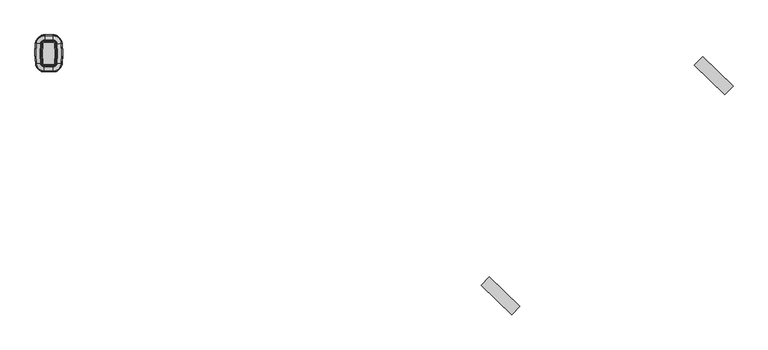
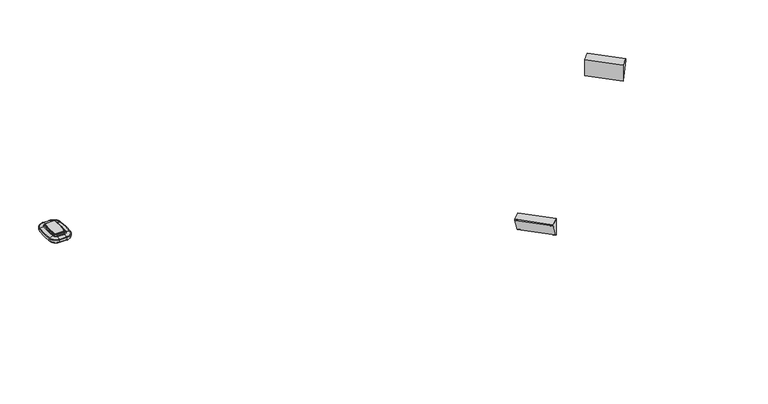
"""IFC4 building model written with IfcOpenShell, lengths in millimetres: furniture geometry."""

from ifc_helpers import new_model, si_unit, point, frame, frame_2d, origin, place, context, project, spatial, polyline, circle_curve, ellipse_curve, trimmed, segment, composite_curve, outline, extrude, source, transform, mapped, element, save
from ifc_brep_helpers import plane_surface, cylinder_surface, revolved_surface, advanced_brep


def furniture_ffb70c54(model_context):
    return source(origin(), model_context, "Body", "SolidModel", [
        extrude(outline(composite_curve([segment(trimmed(circle_curve(frame_2d((205.9302061, -44.7356705)), 2.54), [point((208.4535218, -45.0263214))], [point((205.9302061, -47.2756705))], False, "CARTESIAN"), True, "CONTINUOUS"), segment(polyline([(205.9302061, -47.2756705), (185.3092852, -47.2756705)]), True, "CONTINUOUS"), segment(trimmed(circle_curve(frame_2d((185.3092852, -44.7356705)), 2.54), [point((185.3092852, -47.2756705))], [point((182.7859695, -45.0263214))], False, "CARTESIAN"), True, "CONTINUOUS"), segment(trimmed(circle_curve(frame_2d((381.3735299, -22.1517971)), 199.9006328), [point((182.7859695, -45.0263214))], [point((182.5741347, -1.1979559))], False, "CARTESIAN"), True, "CONTINUOUS"), segment(trimmed(circle_curve(frame_2d((186.3631457, -1.597325)), 3.81), [point((182.5741347, -1.1979559))], [point((186.3631457, 2.212675))], False, "CARTESIAN"), True, "CONTINUOUS"), segment(polyline([(186.3631457, 2.212675), (204.8763456, 2.212675)]), True, "CONTINUOUS"), segment(trimmed(circle_curve(frame_2d((204.8763456, -1.597325)), 3.81), [point((204.8763456, 2.212675))], [point((208.6653566, -1.1979559))], False, "CARTESIAN"), True, "CONTINUOUS"), segment(trimmed(circle_curve(frame_2d((9.8659614, -22.1517971)), 199.9006328), [point((208.6653566, -1.1979559))], [point((208.4535218, -45.0263214))], False, "CARTESIAN"), True, "CONTINUOUS")], self_intersect=False)), frame((0.0, 0.0, 545.8119265), z_axis=(0.0, 0.0, 1.0), x_axis=(1.0, 0.0, 0.0)), (0.0, 0.0, 1.0), 2.9994778),
        advanced_brep(
        [(205.9302061, -47.2756705, 529.31195), (205.9302061, -47.2756705, 545.8119265), (208.4535218, -45.0263214, 545.8119265), (208.4535218, -45.0263214, 529.31195), (205.9302061, -61.6387682, 531.0812486), (205.9302061, -50.4678562, 529.31195), (211.6247391, -45.3916015, 529.31195), (222.7222736, -46.6698831, 531.0812486), (205.9302061, -63.9666749, 532.6109063), (225.0348892, -46.9362643, 532.6109063), (205.9302061, -64.8299386, 539.6416248), (225.8924824, -47.0350471, 539.6416248), (205.9302061, -63.4036717, 540.9423206), (224.4755841, -46.8718401, 540.9423206), (205.9302061, -54.0448489, 543.0447158), (215.1782359, -45.8009149, 543.0447158), (205.9302061, -52.2008481, 543.9842812), (213.3463476, -45.5899069, 543.9842812), (205.9302061, -50.4678562, 545.8119265), (211.6247391, -45.3916015, 545.8119265), (185.3092852, -47.2756705, 529.31195), (185.3092852, -47.2756705, 545.8119265), (185.3092852, -61.6387682, 531.0812486), (185.3092852, -50.4678562, 529.31195), (185.3092852, -63.9666749, 532.6109063), (185.3092852, -64.8299386, 539.6416248), (185.3092852, -63.4036717, 540.9423206), (185.3092852, -54.0448489, 543.0447158), (185.3092852, -52.2008481, 543.9842812), (185.3092852, -50.4678562, 545.8119265), (182.7859695, -45.0263214, 529.31195), (182.7859695, -45.0263214, 545.8119265), (168.5172177, -46.6698831, 531.0812486), (179.6147521, -45.3916015, 529.31195), (166.2046021, -46.9362643, 532.6109063), (165.3470089, -47.0350471, 539.6416248), (166.7639072, -46.8718401, 540.9423206), (176.0612553, -45.8009149, 543.0447158), (177.8931436, -45.5899069, 543.9842812), (179.6147521, -45.3916015, 545.8119265), (182.5741347, -1.1979559, 529.31195), (182.5741347, -1.1979559, 545.8119265), (168.2901622, 0.3076025, 531.0812486), (179.3995346, -0.8633469, 529.31195), (165.9750798, 0.5516166, 532.6109063), (165.1165718, 0.6421051, 539.6416248), (166.5349815, 0.4926019, 540.9423206), (175.8422472, -0.4884019, 543.0447158), (177.6760896, -0.6816924, 543.9842812), (179.3995346, -0.8633469, 545.8119265), (186.3631457, 2.212675, 529.31195), (186.3631457, 2.212675, 545.8119265), (186.3631457, 16.5757727, 531.0812486), (186.3631457, 5.4048607, 529.31195), (186.3631457, 18.9036794, 532.6109063), (186.3631457, 19.7669431, 539.6416248), (186.3631457, 18.3406761, 540.9423206), (186.3631457, 8.9818534, 543.0447158), (186.3631457, 7.1378525, 543.9842812), (186.3631457, 5.4048607, 545.8119265), (204.8763456, 2.212675, 529.31195), (204.8763456, 2.212675, 545.8119265), (204.8763456, 16.5757727, 531.0812486), (204.8763456, 5.4048607, 529.31195), (204.8763456, 18.9036794, 532.6109063), (204.8763456, 19.7669431, 539.6416248), (204.8763456, 18.3406761, 540.9423206), (204.8763456, 8.9818534, 543.0447158), (204.8763456, 7.1378525, 543.9842812), (204.8763456, 5.4048607, 545.8119265), (208.6653566, -1.1979559, 529.31195), (208.6653566, -1.1979559, 545.8119265), (222.949329, 0.3076025, 531.0812486), (211.8399567, -0.8633469, 529.31195), (225.2644115, 0.5516166, 532.6109063), (226.1229195, 0.6421051, 539.6416248), (224.7045098, 0.4926019, 540.9423206), (215.3972441, -0.4884019, 543.0447158), (213.5634017, -0.6816924, 543.9842812), (211.8399567, -0.8633469, 545.8119265)],
        [
            (0, 1),
            (1, 2, circle_curve(frame((205.9302061, -44.7356705, 545.8119265), z_axis=(0.0, 0.0, 1.0), x_axis=(0.9934313742949109, -0.11442947420365396, 0.0)), 2.54)),
            (2, 3),
            (3, 0, circle_curve(frame((205.9302061, -44.7356705, 529.31195), z_axis=(0.0, 0.0, -1.0), x_axis=(0.9934313742949109, -0.11442947420365396, 0.0)), 2.54)),
            (4, 5, circle_curve(frame((205.9302061, -50.4678562, 565.4617807), z_axis=(1.0, 0.0, 0.0), x_axis=(0.0, 1.0, 0.0)), 36.1498307)),
            (5, 6, circle_curve(frame((205.9302061, -44.7356705, 529.31195), z_axis=(0.0, 0.0, 1.0), x_axis=(0.9934313742949109, -0.11442947420365396, 0.0)), 5.7321856)),
            (6, 7, circle_curve(frame((211.6247391, -45.3916015, 565.4617807), z_axis=(-0.11442947420363782, -0.9934313742949128, 0.0), x_axis=(-0.9934313742949128, 0.11442947420363782, 0.0)), 36.1498307)),
            (7, 4, circle_curve(frame((205.9302061, -44.7356705, 531.0812486), z_axis=(0.0, 0.0, -1.0), x_axis=(0.9934313742949109, -0.11442947420365396, 0.0)), 16.9030977)),
            (8, 4, circle_curve(frame((205.9302061, -60.0086542, 536.0982238), z_axis=(1.0, 0.0, 0.0), x_axis=(0.0, 1.0, 0.0)), 5.2751599)),
            (7, 9, circle_curve(frame((221.1028672, -46.48335, 536.0982238), z_axis=(-0.11442947420363782, -0.9934313742949128, 0.0), x_axis=(-0.9934313742949128, 0.11442947420363782, 0.0)), 5.2751599)),
            (9, 8, circle_curve(frame((205.9302061, -44.7356705, 532.6109063), z_axis=(0.0, 0.0, -1.0), x_axis=(0.9934313742949109, -0.11442947420365396, 0.0)), 19.2310044)),
            (10, 8, circle_curve(frame((205.9302061, -51.7576644, 537.6783413), z_axis=(1.0, 0.0, 0.0), x_axis=(0.0, 1.0, 0.0)), 13.2188817)),
            (9, 11, circle_curve(frame((212.9060751, -45.5391936, 537.6783413), z_axis=(-0.11442947420363782, -0.9934313742949128, 0.0), x_axis=(-0.9934313742949128, 0.11442947420363782, 0.0)), 13.2188817)),
            (11, 10, circle_curve(frame((205.9302061, -44.7356705, 539.6416248), z_axis=(0.0, 0.0, -1.0), x_axis=(0.9934313742949109, -0.11442947420365396, 0.0)), 20.0942681)),
            (12, 10, circle_curve(frame((205.9302061, -62.1218465, 538.1044178), z_axis=(1.0, 0.0, 0.0), x_axis=(0.0, 1.0, 0.0)), 3.1139634)),
            (11, 13, circle_curve(frame((223.2021788, -46.7251615, 538.1044178), z_axis=(-0.11442947420363782, -0.9934313742949128, 0.0), x_axis=(-0.9934313742949128, 0.11442947420363782, 0.0)), 3.1139634)),
            (13, 12, circle_curve(frame((205.9302061, -44.7356705, 540.9423206), z_axis=(0.0, 0.0, -1.0), x_axis=(0.9934313742949109, -0.11442947420365396, 0.0)), 18.6680011)),
            (14, 12, circle_curve(frame((205.9302061, -53.624396, 519.2914467), z_axis=(1.0, 0.0, 0.0), x_axis=(0.0, 1.0, 0.0)), 23.7569901)),
            (13, 15, circle_curve(frame((214.7605448, -45.7528027, 519.2914467), z_axis=(-0.11442947420363782, -0.9934313742949128, 0.0), x_axis=(-0.9934313742949128, 0.11442947420363782, 0.0)), 23.7569901)),
            (15, 14, circle_curve(frame((205.9302061, -44.7356705, 543.0447158), z_axis=(0.0, 0.0, -1.0), x_axis=(0.9934313742949109, -0.11442947420365396, 0.0)), 9.3091784)),
            (16, 14),
            (15, 17),
            (17, 16, circle_curve(frame((205.9302061, -44.7356705, 543.9842812), z_axis=(0.0, 0.0, -1.0), x_axis=(0.9934313742949109, -0.11442947420365396, 0.0)), 7.4651775)),
            (18, 16),
            (17, 19),
            (19, 18, circle_curve(frame((205.9302061, -44.7356705, 545.8119265), z_axis=(0.0, 0.0, -1.0), x_axis=(0.9934313742949109, -0.11442947420365396, 0.0)), 5.7321856)),
            (0, 20),
            (20, 21),
            (21, 1),
            (4, 22),
            (22, 23, circle_curve(frame((185.3092852, -50.4678562, 565.4617807), z_axis=(1.0, 0.0, 0.0), x_axis=(0.0, 1.0, 0.0)), 36.1498307)),
            (23, 5),
            (8, 24),
            (24, 22, circle_curve(frame((185.3092852, -60.0086542, 536.0982238), z_axis=(1.0, 0.0, 0.0), x_axis=(0.0, 1.0, 0.0)), 5.2751599)),
            (10, 25),
            (25, 24, circle_curve(frame((185.3092852, -51.7576644, 537.6783413), z_axis=(1.0, 0.0, 0.0), x_axis=(0.0, 1.0, 0.0)), 13.2188817)),
            (12, 26),
            (26, 25, circle_curve(frame((185.3092852, -62.1218465, 538.1044178), z_axis=(1.0, 0.0, 0.0), x_axis=(0.0, 1.0, 0.0)), 3.1139634)),
            (14, 27),
            (27, 26, circle_curve(frame((185.3092852, -53.624396, 519.2914467), z_axis=(1.0, 0.0, 0.0), x_axis=(0.0, 1.0, 0.0)), 23.7569901)),
            (16, 28),
            (28, 27),
            (18, 29),
            (29, 28),
            (30, 31),
            (31, 21, circle_curve(frame((185.3092852, -44.7356705, 545.8119265), z_axis=(0.0, 0.0, 1.0), x_axis=(0.0, -1.0, 0.0)), 2.54)),
            (20, 30, circle_curve(frame((185.3092852, -44.7356705, 529.31195), z_axis=(0.0, 0.0, -1.0), x_axis=(0.0, -1.0, 0.0)), 2.54)),
            (32, 33, circle_curve(frame((179.6147521, -45.3916015, 565.4617807), z_axis=(0.11442947420366893, -0.9934313742949091, 0.0), x_axis=(0.9934313742949091, 0.11442947420366893, 0.0)), 36.1498307)),
            (33, 23, circle_curve(frame((185.3092852, -44.7356705, 529.31195), z_axis=(0.0, 0.0, 1.0), x_axis=(0.0, -1.0, 0.0)), 5.7321856)),
            (22, 32, circle_curve(frame((185.3092852, -44.7356705, 531.0812486), z_axis=(0.0, 0.0, -1.0), x_axis=(0.0, -1.0, 0.0)), 16.9030977)),
            (34, 32, circle_curve(frame((170.1366241, -46.48335, 536.0982238), z_axis=(0.11442947420366871, -0.9934313742949091, 0.0), x_axis=(0.9934313742949091, 0.11442947420366871, 0.0)), 5.2751599)),
            (24, 34, circle_curve(frame((185.3092852, -44.7356705, 532.6109063), z_axis=(0.0, 0.0, -1.0), x_axis=(0.0, -1.0, 0.0)), 19.2310044)),
            (35, 34, circle_curve(frame((178.3334162, -45.5391936, 537.6783413), z_axis=(0.11442947420366871, -0.9934313742949091, 0.0), x_axis=(0.9934313742949091, 0.11442947420366871, 0.0)), 13.2188817)),
            (25, 35, circle_curve(frame((185.3092852, -44.7356705, 539.6416248), z_axis=(0.0, 0.0, -1.0), x_axis=(0.0, -1.0, 0.0)), 20.0942681)),
            (36, 35, circle_curve(frame((168.0373125, -46.7251615, 538.1044178), z_axis=(0.11442947420366893, -0.9934313742949091, 0.0), x_axis=(0.9934313742949091, 0.11442947420366893, 0.0)), 3.1139634)),
            (26, 36, circle_curve(frame((185.3092852, -44.7356705, 540.9423206), z_axis=(0.0, 0.0, -1.0), x_axis=(0.0, -1.0, 0.0)), 18.6680011)),
            (37, 36, circle_curve(frame((176.4789465, -45.7528027, 519.2914467), z_axis=(0.11442947420366915, -0.9934313742949091, 0.0), x_axis=(0.9934313742949091, 0.11442947420366915, 0.0)), 23.7569901)),
            (27, 37, circle_curve(frame((185.3092852, -44.7356705, 543.0447158), z_axis=(0.0, 0.0, -1.0), x_axis=(0.0, -1.0, 0.0)), 9.3091784)),
            (38, 37),
            (28, 38, circle_curve(frame((185.3092852, -44.7356705, 543.9842812), z_axis=(0.0, 0.0, -1.0), x_axis=(0.0, -1.0, 0.0)), 7.4651775)),
            (39, 38),
            (29, 39, circle_curve(frame((185.3092852, -44.7356705, 545.8119265), z_axis=(0.0, 0.0, -1.0), x_axis=(0.0, -1.0, 0.0)), 5.7321856)),
            (40, 41),
            (41, 31, circle_curve(frame((381.3735299, -22.1517971, 545.8119265), z_axis=(0.0, 0.0, 1.0), x_axis=(-0.9934313742949111, -0.11442947420365215, 0.0)), 199.9006328)),
            (30, 40, circle_curve(frame((381.3735299, -22.1517971, 529.31195), z_axis=(0.0, 0.0, -1.0), x_axis=(-0.9934313742949111, -0.11442947420365215, 0.0)), 199.9006328)),
            (42, 43, circle_curve(frame((179.3995346, -0.8633469, 565.4617807), z_axis=(-0.10482128506193344, -0.9944910749714977, 0.0), x_axis=(0.9944910749714977, -0.10482128506193344, 0.0)), 36.1498307)),
            (43, 33, circle_curve(frame((381.3735299, -22.1517971, 529.31195), z_axis=(0.0, 0.0, 1.0), x_axis=(-0.9934313742949111, -0.11442947420365215, 0.0)), 203.0928185)),
            (32, 42, circle_curve(frame((381.3735299, -22.1517971, 531.0812486), z_axis=(0.0, 0.0, -1.0), x_axis=(-0.9934313742949111, -0.11442947420365215, 0.0)), 214.2637305)),
            (44, 42, circle_curve(frame((169.9112961, 0.1367318, 536.0982238), z_axis=(-0.10482128506193016, -0.994491074971498, 0.0), x_axis=(0.994491074971498, -0.10482128506193016, 0.0)), 5.2751599)),
            (34, 44, circle_curve(frame((381.3735299, -22.1517971, 532.6109063), z_axis=(0.0, 0.0, -1.0), x_axis=(-0.9934313742949111, -0.11442947420365215, 0.0)), 216.5916372)),
            (45, 44, circle_curve(frame((178.1168318, -0.7281475, 537.6783413), z_axis=(-0.10482128506192903, -0.9944910749714981, 0.0), x_axis=(0.9944910749714981, -0.10482128506192903, 0.0)), 13.2188817)),
            (35, 45, circle_curve(frame((381.3735299, -22.1517971, 539.6416248), z_axis=(0.0, 0.0, -1.0), x_axis=(-0.9934313742949111, -0.11442947420365215, 0.0)), 217.4549009)),
            (46, 45, circle_curve(frame((167.8097452, 0.3582394, 538.1044178), z_axis=(-0.10482128506193093, -0.994491074971498, 0.0), x_axis=(0.994491074971498, -0.10482128506193093, 0.0)), 3.1139634)),
            (36, 46, circle_curve(frame((381.3735299, -22.1517971, 540.9423206), z_axis=(0.0, 0.0, -1.0), x_axis=(-0.9934313742949111, -0.11442947420365215, 0.0)), 216.0286339)),
            (47, 46, circle_curve(frame((176.2603839, -0.5324743, 519.2914467), z_axis=(-0.10482128506194452, -0.9944910749714965, 0.0), x_axis=(0.9944910749714965, -0.10482128506194452, 0.0)), 23.7569901)),
            (37, 47, circle_curve(frame((381.3735299, -22.1517971, 543.0447158), z_axis=(0.0, 0.0, -1.0), x_axis=(-0.9934313742949111, -0.11442947420365215, 0.0)), 206.6698112)),
            (48, 47),
            (38, 48, circle_curve(frame((381.3735299, -22.1517971, 543.9842812), z_axis=(0.0, 0.0, -1.0), x_axis=(-0.9934313742949111, -0.11442947420365215, 0.0)), 204.8258103)),
            (49, 48),
            (39, 49, circle_curve(frame((381.3735299, -22.1517971, 545.8119265), z_axis=(0.0, 0.0, -1.0), x_axis=(-0.9934313742949111, -0.11442947420365215, 0.0)), 203.0928185)),
            (50, 51),
            (51, 41, circle_curve(frame((186.3631457, -1.597325, 545.8119265), z_axis=(0.0, 0.0, 1.0), x_axis=(-0.9944910749715277, 0.1048212850616482, 0.0)), 3.81)),
            (40, 50, circle_curve(frame((186.3631457, -1.597325, 529.31195), z_axis=(0.0, 0.0, -1.0), x_axis=(-0.9944910749715277, 0.1048212850616482, 0.0)), 3.81)),
            (52, 53, circle_curve(frame((186.3631457, 5.4048607, 565.4617807), z_axis=(-1.0, 0.0, 0.0), x_axis=(0.0, -1.0, 0.0)), 36.1498307)),
            (53, 43, circle_curve(frame((186.3631457, -1.597325, 529.31195), z_axis=(0.0, 0.0, 1.0), x_axis=(-0.9944910749715277, 0.1048212850616482, 0.0)), 7.0021856)),
            (42, 52, circle_curve(frame((186.3631457, -1.597325, 531.0812486), z_axis=(0.0, 0.0, -1.0), x_axis=(-0.9944910749715277, 0.1048212850616482, 0.0)), 18.1730977)),
            (54, 52, circle_curve(frame((186.3631457, 14.9456586, 536.0982238), z_axis=(-1.0, 0.0, 0.0), x_axis=(0.0, -1.0, 0.0)), 5.2751599)),
            (44, 54, circle_curve(frame((186.3631457, -1.597325, 532.6109063), z_axis=(0.0, 0.0, -1.0), x_axis=(-0.9944910749715277, 0.1048212850616482, 0.0)), 20.5010044)),
            (55, 54, circle_curve(frame((186.3631457, 6.6946689, 537.6783413), z_axis=(-1.0, 0.0, 0.0), x_axis=(0.0, -1.0, 0.0)), 13.2188817)),
            (45, 55, circle_curve(frame((186.3631457, -1.597325, 539.6416248), z_axis=(0.0, 0.0, -1.0), x_axis=(-0.9944910749715277, 0.1048212850616482, 0.0)), 21.3642681)),
            (56, 55, circle_curve(frame((186.3631457, 17.058851, 538.1044178), z_axis=(-1.0, 0.0, 0.0), x_axis=(0.0, -1.0, 0.0)), 3.1139634)),
            (46, 56, circle_curve(frame((186.3631457, -1.597325, 540.9423206), z_axis=(0.0, 0.0, -1.0), x_axis=(-0.9944910749715277, 0.1048212850616482, 0.0)), 19.9380011)),
            (57, 56, circle_curve(frame((186.3631457, 8.5614004, 519.2914467), z_axis=(-1.0, 0.0, 0.0), x_axis=(0.0, -1.0, 0.0)), 23.7569901)),
            (47, 57, circle_curve(frame((186.3631457, -1.597325, 543.0447158), z_axis=(0.0, 0.0, -1.0), x_axis=(-0.9944910749715277, 0.1048212850616482, 0.0)), 10.5791784)),
            (58, 57),
            (48, 58, circle_curve(frame((186.3631457, -1.597325, 543.9842812), z_axis=(0.0, 0.0, -1.0), x_axis=(-0.9944910749715277, 0.1048212850616482, 0.0)), 8.7351775)),
            (59, 58),
            (49, 59, circle_curve(frame((186.3631457, -1.597325, 545.8119265), z_axis=(0.0, 0.0, -1.0), x_axis=(-0.9944910749715277, 0.1048212850616482, 0.0)), 7.0021856)),
            (50, 60),
            (60, 61),
            (61, 51),
            (52, 62),
            (62, 63, circle_curve(frame((204.8763456, 5.4048607, 565.4617807), z_axis=(-1.0, 0.0, 0.0), x_axis=(0.0, -1.0, 0.0)), 36.1498307)),
            (63, 53),
            (54, 64),
            (64, 62, circle_curve(frame((204.8763456, 14.9456586, 536.0982238), z_axis=(-1.0, 0.0, 0.0), x_axis=(0.0, -1.0, 0.0)), 5.2751599)),
            (55, 65),
            (65, 64, circle_curve(frame((204.8763456, 6.6946689, 537.6783413), z_axis=(-1.0, 0.0, 0.0), x_axis=(0.0, -1.0, 0.0)), 13.2188817)),
            (56, 66),
            (66, 65, circle_curve(frame((204.8763456, 17.058851, 538.1044178), z_axis=(-1.0, 0.0, 0.0), x_axis=(0.0, -1.0, 0.0)), 3.1139634)),
            (57, 67),
            (67, 66, circle_curve(frame((204.8763456, 8.5614004, 519.2914467), z_axis=(-1.0, 0.0, 0.0), x_axis=(0.0, -1.0, 0.0)), 23.7569901)),
            (58, 68),
            (68, 67),
            (59, 69),
            (69, 68),
            (70, 71),
            (71, 61, circle_curve(frame((204.8763456, -1.597325, 545.8119265), z_axis=(0.0, 0.0, 1.0), x_axis=(0.0, 1.0, 0.0)), 3.81)),
            (60, 70, circle_curve(frame((204.8763456, -1.597325, 529.31195), z_axis=(0.0, 0.0, -1.0), x_axis=(0.0, 1.0, 0.0)), 3.81)),
            (72, 73, circle_curve(frame((211.8399567, -0.8633469, 565.4617807), z_axis=(-0.10482128506199397, 0.9944910749714913, 0.0), x_axis=(-0.9944910749714913, -0.10482128506199397, 0.0)), 36.1498307)),
            (73, 63, circle_curve(frame((204.8763456, -1.597325, 529.31195), z_axis=(0.0, 0.0, 1.0), x_axis=(0.0, 1.0, 0.0)), 7.0021856)),
            (62, 72, circle_curve(frame((204.8763456, -1.597325, 531.0812486), z_axis=(0.0, 0.0, -1.0), x_axis=(0.0, 1.0, 0.0)), 18.1730977)),
            (74, 72, circle_curve(frame((221.3281952, 0.1367318, 536.0982238), z_axis=(-0.10482128506199374, 0.9944910749714913, 0.0), x_axis=(-0.9944910749714913, -0.10482128506199374, 0.0)), 5.2751599)),
            (64, 74, circle_curve(frame((204.8763456, -1.597325, 532.6109063), z_axis=(0.0, 0.0, -1.0), x_axis=(0.0, 1.0, 0.0)), 20.5010044)),
            (75, 74, circle_curve(frame((213.1226595, -0.7281475, 537.6783413), z_axis=(-0.10482128506199374, 0.9944910749714913, 0.0), x_axis=(-0.9944910749714913, -0.10482128506199374, 0.0)), 13.2188817)),
            (65, 75, circle_curve(frame((204.8763456, -1.597325, 539.6416248), z_axis=(0.0, 0.0, -1.0), x_axis=(0.0, 1.0, 0.0)), 21.3642681)),
            (76, 75, circle_curve(frame((223.4297461, 0.3582394, 538.1044178), z_axis=(-0.10482128506199374, 0.9944910749714913, 0.0), x_axis=(-0.9944910749714913, -0.10482128506199374, 0.0)), 3.1139634)),
            (66, 76, circle_curve(frame((204.8763456, -1.597325, 540.9423206), z_axis=(0.0, 0.0, -1.0), x_axis=(0.0, 1.0, 0.0)), 19.9380011)),
            (77, 76, circle_curve(frame((214.9791073, -0.5324743, 519.2914467), z_axis=(-0.10482128506199374, 0.9944910749714913, 0.0), x_axis=(-0.9944910749714913, -0.10482128506199374, 0.0)), 23.7569901)),
            (67, 77, circle_curve(frame((204.8763456, -1.597325, 543.0447158), z_axis=(0.0, 0.0, -1.0), x_axis=(0.0, 1.0, 0.0)), 10.5791784)),
            (78, 77),
            (68, 78, circle_curve(frame((204.8763456, -1.597325, 543.9842812), z_axis=(0.0, 0.0, -1.0), x_axis=(0.0, 1.0, 0.0)), 8.7351775)),
            (79, 78),
            (69, 79, circle_curve(frame((204.8763456, -1.597325, 545.8119265), z_axis=(0.0, 0.0, -1.0), x_axis=(0.0, 1.0, 0.0)), 7.0021856)),
            (2, 71, circle_curve(frame((9.8659614, -22.1517971, 545.8119265), z_axis=(0.0, 0.0, 1.0), x_axis=(0.9944910749714929, 0.10482128506197756, 0.0)), 199.9006328)),
            (70, 3, circle_curve(frame((9.8659614, -22.1517971, 529.31195), z_axis=(0.0, 0.0, -1.0), x_axis=(0.9944910749714929, 0.10482128506197756, 0.0)), 199.9006328)),
            (73, 6, circle_curve(frame((9.8659614, -22.1517971, 529.31195), z_axis=(0.0, 0.0, -1.0), x_axis=(0.9944910749714929, 0.10482128506197756, 0.0)), 203.0928185)),
            (72, 7, circle_curve(frame((9.8659614, -22.1517971, 531.0812486), z_axis=(0.0, 0.0, -1.0), x_axis=(0.9944910749714929, 0.10482128506197756, 0.0)), 214.2637305)),
            (74, 9, circle_curve(frame((9.8659614, -22.1517971, 532.6109063), z_axis=(0.0, 0.0, -1.0), x_axis=(0.9944910749714929, 0.10482128506197756, 0.0)), 216.5916372)),
            (75, 11, circle_curve(frame((9.8659614, -22.1517971, 539.6416248), z_axis=(0.0, 0.0, -1.0), x_axis=(0.9944910749714929, 0.10482128506197756, 0.0)), 217.4549009)),
            (76, 13, circle_curve(frame((9.8659614, -22.1517971, 540.9423206), z_axis=(0.0, 0.0, -1.0), x_axis=(0.9944910749714929, 0.10482128506197756, 0.0)), 216.0286339)),
            (77, 15, circle_curve(frame((9.8659614, -22.1517971, 543.0447158), z_axis=(0.0, 0.0, -1.0), x_axis=(0.9944910749714929, 0.10482128506197756, 0.0)), 206.6698112)),
            (78, 17, circle_curve(frame((9.8659614, -22.1517971, 543.9842812), z_axis=(0.0, 0.0, -1.0), x_axis=(0.9944910749714929, 0.10482128506197756, 0.0)), 204.8258103)),
            (79, 19, circle_curve(frame((9.8659614, -22.1517971, 545.8119265), z_axis=(0.0, 0.0, -1.0), x_axis=(0.9944910749714929, 0.10482128506197756, 0.0)), 203.0928185)),
        ],
        [
            revolved_surface(polyline([(208.45352179070906, -45.026321364477276, 545.8119265), (208.45352179070906, -45.026321364477276, 529.31195)]), (205.9302061, -44.7356705, 0.0), (0.0, 0.0, 1.0)),
            revolved_surface(trimmed(ellipse_curve(frame((211.6247391, -45.3916015, 565.4617807), z_axis=(-0.11442947420363782, -0.9934313742949128, 0.0), x_axis=(-0.9934313742949128, 0.11442947420363782, 0.0)), 36.1498307, 36.1498307), [point((211.6247391, -45.3916015, 529.31195))], [point((222.7222736, -46.6698831, 531.0812486))], True, "CARTESIAN"), (205.9302061, -44.7356705, 0.0), (0.0, 0.0, 1.0)),
            revolved_surface(trimmed(ellipse_curve(frame((221.1028672, -46.48335, 536.0982238), z_axis=(-0.11442947420363782, -0.9934313742949128, 0.0), x_axis=(-0.9934313742949128, 0.11442947420363782, 0.0)), 5.2751599, 5.2751599), [point((222.7222736, -46.6698831, 531.0812486))], [point((225.0348892, -46.9362643, 532.6109063))], True, "CARTESIAN"), (205.9302061, -44.7356705, 0.0), (0.0, 0.0, 1.0)),
            revolved_surface(trimmed(ellipse_curve(frame((212.9060751, -45.5391936, 537.6783413), z_axis=(-0.11442947420363782, -0.9934313742949128, 0.0), x_axis=(-0.9934313742949128, 0.11442947420363782, 0.0)), 13.2188817, 13.2188817), [point((225.0348892, -46.9362643, 532.6109063))], [point((225.8924824, -47.0350471, 539.6416248))], True, "CARTESIAN"), (205.9302061, -44.7356705, 0.0), (0.0, 0.0, 1.0)),
            revolved_surface(trimmed(ellipse_curve(frame((223.2021788, -46.7251615, 538.1044178), z_axis=(-0.11442947420363782, -0.9934313742949128, 0.0), x_axis=(-0.9934313742949128, 0.11442947420363782, 0.0)), 3.1139634, 3.1139634), [point((225.8924824, -47.0350471, 539.6416248))], [point((224.4755841, -46.8718401, 540.9423206))], True, "CARTESIAN"), (205.9302061, -44.7356705, 0.0), (0.0, 0.0, 1.0)),
            revolved_surface(trimmed(ellipse_curve(frame((214.7605448, -45.7528027, 519.2914467), z_axis=(-0.11442947420363782, -0.9934313742949128, 0.0), x_axis=(-0.9934313742949128, 0.11442947420363782, 0.0)), 23.7569901, 23.7569901), [point((224.4755841, -46.8718401, 540.9423206))], [point((215.1782359, -45.8009149, 543.0447158))], True, "CARTESIAN"), (205.9302061, -44.7356705, 0.0), (0.0, 0.0, 1.0)),
            revolved_surface(polyline([(215.1782359, -45.8009149, 543.0447158), (213.3463476, -45.5899069, 543.9842812)]), (205.9302061, -44.7356705, 0.0), (0.0, 0.0, 1.0)),
            revolved_surface(polyline([(213.3463476, -45.5899069, 543.9842812), (211.6247391, -45.3916015, 545.8119265)]), (205.9302061, -44.7356705, 0.0), (0.0, 0.0, 1.0)),
            plane_surface(frame((205.9302061, -47.2756705, 545.8119265), z_axis=(0.0, 1.0, 0.0), x_axis=(-1.0, 0.0, 0.0))),
            cylinder_surface(frame((205.9302061, -50.4678562, 565.4617807), z_axis=(1.0, 0.0, 0.0), x_axis=(0.0, 1.0, 0.0)), 36.1498307),
            cylinder_surface(frame((205.9302061, -60.0086542, 536.0982238), z_axis=(1.0, 0.0, 0.0), x_axis=(0.0, 1.0, 0.0)), 5.2751599),
            cylinder_surface(frame((205.9302061, -51.7576644, 537.6783413), z_axis=(1.0, 0.0, 0.0), x_axis=(0.0, 1.0, 0.0)), 13.2188817),
            cylinder_surface(frame((205.9302061, -62.1218465, 538.1044178), z_axis=(1.0, 0.0, 0.0), x_axis=(0.0, 1.0, 0.0)), 3.1139634),
            cylinder_surface(frame((205.9302061, -53.624396, 519.2914467), z_axis=(1.0, 0.0, 0.0), x_axis=(0.0, 1.0, 0.0)), 23.7569901),
            plane_surface(frame((205.9302061, -54.0448489, 543.0447158), z_axis=(0.0, -0.45399049973953376, 0.8910065241883746), x_axis=(-1.0, 0.0, 0.0))),
            plane_surface(frame((205.9302061, -52.2008481, 543.9842812), z_axis=(0.0, -0.7256476472225023, 0.6880664881248375), x_axis=(-1.0, 0.0, 0.0))),
            revolved_surface(polyline([(185.3092852, -47.2756705, 545.8119265), (185.3092852, -47.2756705, 529.31195)]), (185.3092852, -44.7356705, 0.0), (0.0, 0.0, 1.0)),
            revolved_surface(trimmed(ellipse_curve(frame((185.3092852, -50.4678562, 565.4617807), z_axis=(-1.0, 0.0, 0.0), x_axis=(0.0, 1.0, 0.0)), 36.1498307, 36.1498307), [point((185.3092852, -50.4678562, 529.31195))], [point((185.3092852, -61.6387682, 531.0812486))], True, "CARTESIAN"), (185.3092852, -44.7356705, 0.0), (0.0, 0.0, 1.0)),
            revolved_surface(trimmed(ellipse_curve(frame((185.3092852, -60.0086542, 536.0982238), z_axis=(-1.0, 0.0, 0.0), x_axis=(0.0, 1.0, 0.0)), 5.2751599, 5.2751599), [point((185.3092852, -61.6387682, 531.0812486))], [point((185.3092852, -63.9666749, 532.6109063))], True, "CARTESIAN"), (185.3092852, -44.7356705, 0.0), (0.0, 0.0, 1.0)),
            revolved_surface(trimmed(ellipse_curve(frame((185.3092852, -51.7576644, 537.6783413), z_axis=(-1.0, 0.0, 0.0), x_axis=(0.0, 1.0, 0.0)), 13.2188817, 13.2188817), [point((185.3092852, -63.9666749, 532.6109063))], [point((185.3092852, -64.8299386, 539.6416248))], True, "CARTESIAN"), (185.3092852, -44.7356705, 0.0), (0.0, 0.0, 1.0)),
            revolved_surface(trimmed(ellipse_curve(frame((185.3092852, -62.1218465, 538.1044178), z_axis=(-1.0, 0.0, 0.0), x_axis=(0.0, 1.0, 0.0)), 3.1139634, 3.1139634), [point((185.3092852, -64.8299386, 539.6416248))], [point((185.3092852, -63.4036717, 540.9423206))], True, "CARTESIAN"), (185.3092852, -44.7356705, 0.0), (0.0, 0.0, 1.0)),
            revolved_surface(trimmed(ellipse_curve(frame((185.3092852, -53.624396, 519.2914467), z_axis=(-1.0, 0.0, 0.0), x_axis=(0.0, 1.0, 0.0)), 23.7569901, 23.7569901), [point((185.3092852, -63.4036717, 540.9423206))], [point((185.3092852, -54.0448489, 543.0447158))], True, "CARTESIAN"), (185.3092852, -44.7356705, 0.0), (0.0, 0.0, 1.0)),
            revolved_surface(polyline([(185.3092852, -54.0448489, 543.0447158), (185.3092852, -52.2008481, 543.9842812)]), (185.3092852, -44.7356705, 0.0), (0.0, 0.0, 1.0)),
            revolved_surface(polyline([(185.3092852, -52.2008481, 543.9842812), (185.3092852, -50.4678562, 545.8119265)]), (185.3092852, -44.7356705, 0.0), (0.0, 0.0, 1.0)),
            revolved_surface(polyline([(182.7859695350736, -45.02632140428135, 545.8119265), (182.7859695350736, -45.02632140428135, 529.31195)]), (381.3735299, -22.1517971, 0.0), (0.0, 0.0, 1.0)),
            revolved_surface(trimmed(ellipse_curve(frame((179.6147521, -45.3916015, 565.4617807), z_axis=(-0.11442947420366831, 0.9934313742949092, 0.0), x_axis=(0.9934313742949092, 0.11442947420366831, 0.0)), 36.1498307, 36.1498307), [point((179.6147521, -45.3916015, 529.31195))], [point((168.5172177, -46.6698831, 531.0812486))], True, "CARTESIAN"), (381.3735299, -22.1517971, 0.0), (0.0, 0.0, 1.0)),
            revolved_surface(trimmed(ellipse_curve(frame((170.1366241, -46.48335, 536.0982238), z_axis=(-0.11442947420366831, 0.9934313742949092, 0.0), x_axis=(0.9934313742949092, 0.11442947420366831, 0.0)), 5.2751599, 5.2751599), [point((168.5172177, -46.6698831, 531.0812486))], [point((166.2046021, -46.9362643, 532.6109063))], True, "CARTESIAN"), (381.3735299, -22.1517971, 0.0), (0.0, 0.0, 1.0)),
            revolved_surface(trimmed(ellipse_curve(frame((178.3334162, -45.5391936, 537.6783413), z_axis=(-0.11442947420366831, 0.9934313742949092, 0.0), x_axis=(0.9934313742949092, 0.11442947420366831, 0.0)), 13.2188817, 13.2188817), [point((166.2046021, -46.9362643, 532.6109063))], [point((165.3470089, -47.0350471, 539.6416248))], True, "CARTESIAN"), (381.3735299, -22.1517971, 0.0), (0.0, 0.0, 1.0)),
            revolved_surface(trimmed(ellipse_curve(frame((168.0373125, -46.7251615, 538.1044178), z_axis=(-0.11442947420366831, 0.9934313742949092, 0.0), x_axis=(0.9934313742949092, 0.11442947420366831, 0.0)), 3.1139634, 3.1139634), [point((165.3470089, -47.0350471, 539.6416248))], [point((166.7639072, -46.8718401, 540.9423206))], True, "CARTESIAN"), (381.3735299, -22.1517971, 0.0), (0.0, 0.0, 1.0)),
            revolved_surface(trimmed(ellipse_curve(frame((176.4789465, -45.7528027, 519.2914467), z_axis=(-0.11442947420366831, 0.9934313742949092, 0.0), x_axis=(0.9934313742949092, 0.11442947420366831, 0.0)), 23.7569901, 23.7569901), [point((166.7639072, -46.8718401, 540.9423206))], [point((176.0612553, -45.8009149, 543.0447158))], True, "CARTESIAN"), (381.3735299, -22.1517971, 0.0), (0.0, 0.0, 1.0)),
            revolved_surface(polyline([(176.0612553, -45.8009149, 543.0447158), (177.8931436, -45.5899069, 543.9842812)]), (381.3735299, -22.1517971, 0.0), (0.0, 0.0, 1.0)),
            revolved_surface(polyline([(177.8931436, -45.5899069, 543.9842812), (179.6147521, -45.3916015, 545.8119265)]), (381.3735299, -22.1517971, 0.0), (0.0, 0.0, 1.0)),
            revolved_surface(polyline([(182.57413470435847, -1.1979559039151204, 545.8119265), (182.57413470435847, -1.1979559039151204, 529.31195)]), (186.3631457, -1.597325, 0.0), (0.0, 0.0, 1.0)),
            revolved_surface(trimmed(ellipse_curve(frame((179.3995346, -0.8633469, 565.4617807), z_axis=(0.10482128506163199, 0.9944910749715293, 0.0), x_axis=(0.9944910749715293, -0.10482128506163199, 0.0)), 36.1498307, 36.1498307), [point((179.3995346, -0.8633469, 529.31195))], [point((168.2901622, 0.3076025, 531.0812486))], True, "CARTESIAN"), (186.3631457, -1.597325, 0.0), (0.0, 0.0, 1.0)),
            revolved_surface(trimmed(ellipse_curve(frame((169.9112961, 0.1367318, 536.0982238), z_axis=(0.10482128506163199, 0.9944910749715293, 0.0), x_axis=(0.9944910749715293, -0.10482128506163199, 0.0)), 5.2751599, 5.2751599), [point((168.2901622, 0.3076025, 531.0812486))], [point((165.9750798, 0.5516166, 532.6109063))], True, "CARTESIAN"), (186.3631457, -1.597325, 0.0), (0.0, 0.0, 1.0)),
            revolved_surface(trimmed(ellipse_curve(frame((178.1168318, -0.7281475, 537.6783413), z_axis=(0.10482128506163199, 0.9944910749715293, 0.0), x_axis=(0.9944910749715293, -0.10482128506163199, 0.0)), 13.2188817, 13.2188817), [point((165.9750798, 0.5516166, 532.6109063))], [point((165.1165718, 0.6421051, 539.6416248))], True, "CARTESIAN"), (186.3631457, -1.597325, 0.0), (0.0, 0.0, 1.0)),
            revolved_surface(trimmed(ellipse_curve(frame((167.8097452, 0.3582394, 538.1044178), z_axis=(0.10482128506163199, 0.9944910749715293, 0.0), x_axis=(0.9944910749715293, -0.10482128506163199, 0.0)), 3.1139634, 3.1139634), [point((165.1165718, 0.6421051, 539.6416248))], [point((166.5349815, 0.4926019, 540.9423206))], True, "CARTESIAN"), (186.3631457, -1.597325, 0.0), (0.0, 0.0, 1.0)),
            revolved_surface(trimmed(ellipse_curve(frame((176.2603839, -0.5324743, 519.2914467), z_axis=(0.10482128506163199, 0.9944910749715293, 0.0), x_axis=(0.9944910749715293, -0.10482128506163199, 0.0)), 23.7569901, 23.7569901), [point((166.5349815, 0.4926019, 540.9423206))], [point((175.8422472, -0.4884019, 543.0447158))], True, "CARTESIAN"), (186.3631457, -1.597325, 0.0), (0.0, 0.0, 1.0)),
            revolved_surface(polyline([(175.8422472, -0.4884019, 543.0447158), (177.6760896, -0.6816924, 543.9842812)]), (186.3631457, -1.597325, 0.0), (0.0, 0.0, 1.0)),
            revolved_surface(polyline([(177.6760896, -0.6816924, 543.9842812), (179.3995346, -0.8633469, 545.8119265)]), (186.3631457, -1.597325, 0.0), (0.0, 0.0, 1.0)),
            plane_surface(frame((186.3631457, 2.212675, 545.8119265), z_axis=(0.0, -1.0, 0.0), x_axis=(1.0, 0.0, 0.0))),
            cylinder_surface(frame((186.3631457, 5.4048607, 565.4617807), z_axis=(-1.0, 0.0, 0.0), x_axis=(0.0, -1.0, 0.0)), 36.1498307),
            cylinder_surface(frame((186.3631457, 14.9456586, 536.0982238), z_axis=(-1.0, 0.0, 0.0), x_axis=(0.0, -1.0, 0.0)), 5.2751599),
            cylinder_surface(frame((186.3631457, 6.6946689, 537.6783413), z_axis=(-1.0, 0.0, 0.0), x_axis=(0.0, -1.0, 0.0)), 13.2188817),
            cylinder_surface(frame((186.3631457, 17.058851, 538.1044178), z_axis=(-1.0, 0.0, 0.0), x_axis=(0.0, -1.0, 0.0)), 3.1139634),
            cylinder_surface(frame((186.3631457, 8.5614004, 519.2914467), z_axis=(-1.0, 0.0, 0.0), x_axis=(0.0, -1.0, 0.0)), 23.7569901),
            plane_surface(frame((186.3631457, 8.9818534, 543.0447158), z_axis=(0.0, 0.45399049973953376, 0.8910065241883744), x_axis=(1.0, 0.0, 0.0))),
            plane_surface(frame((186.3631457, 7.1378525, 543.9842812), z_axis=(0.0, 0.7256476472225023, 0.6880664881248375), x_axis=(1.0, 0.0, 0.0))),
            revolved_surface(polyline([(204.8763456, 2.212675, 545.8119265), (204.8763456, 2.212675, 529.31195)]), (204.8763456, -1.597325, 0.0), (0.0, 0.0, 1.0)),
            revolved_surface(trimmed(ellipse_curve(frame((204.8763456, 5.4048607, 565.4617807), z_axis=(1.0, 0.0, 0.0), x_axis=(0.0, -1.0, 0.0)), 36.1498307, 36.1498307), [point((204.8763456, 5.4048607, 529.31195))], [point((204.8763456, 16.5757727, 531.0812486))], True, "CARTESIAN"), (204.8763456, -1.597325, 0.0), (0.0, 0.0, 1.0)),
            revolved_surface(trimmed(ellipse_curve(frame((204.8763456, 14.9456586, 536.0982238), z_axis=(1.0, 0.0, 0.0), x_axis=(0.0, -1.0, 0.0)), 5.2751599, 5.2751599), [point((204.8763456, 16.5757727, 531.0812486))], [point((204.8763456, 18.9036794, 532.6109063))], True, "CARTESIAN"), (204.8763456, -1.597325, 0.0), (0.0, 0.0, 1.0)),
            revolved_surface(trimmed(ellipse_curve(frame((204.8763456, 6.6946689, 537.6783413), z_axis=(1.0, 0.0, 0.0), x_axis=(0.0, -1.0, 0.0)), 13.2188817, 13.2188817), [point((204.8763456, 18.9036794, 532.6109063))], [point((204.8763456, 19.7669431, 539.6416248))], True, "CARTESIAN"), (204.8763456, -1.597325, 0.0), (0.0, 0.0, 1.0)),
            revolved_surface(trimmed(ellipse_curve(frame((204.8763456, 17.058851, 538.1044178), z_axis=(1.0, 0.0, 0.0), x_axis=(0.0, -1.0, 0.0)), 3.1139634, 3.1139634), [point((204.8763456, 19.7669431, 539.6416248))], [point((204.8763456, 18.3406761, 540.9423206))], True, "CARTESIAN"), (204.8763456, -1.597325, 0.0), (0.0, 0.0, 1.0)),
            revolved_surface(trimmed(ellipse_curve(frame((204.8763456, 8.5614004, 519.2914467), z_axis=(1.0, 0.0, 0.0), x_axis=(0.0, -1.0, 0.0)), 23.7569901, 23.7569901), [point((204.8763456, 18.3406761, 540.9423206))], [point((204.8763456, 8.9818534, 543.0447158))], True, "CARTESIAN"), (204.8763456, -1.597325, 0.0), (0.0, 0.0, 1.0)),
            revolved_surface(polyline([(204.8763456, 8.9818534, 543.0447158), (204.8763456, 7.1378525, 543.9842812)]), (204.8763456, -1.597325, 0.0), (0.0, 0.0, 1.0)),
            revolved_surface(polyline([(204.8763456, 7.1378525, 543.9842812), (204.8763456, 5.4048607, 545.8119265)]), (204.8763456, -1.597325, 0.0), (0.0, 0.0, 1.0)),
            revolved_surface(polyline([(208.66535660075368, -1.1979558852014982, 545.8119265), (208.66535660075368, -1.1979558852014982, 529.31195)]), (9.8659614, -22.1517971, 0.0), (0.0, 0.0, 1.0)),
            plane_surface(frame((9.8659614, -22.1517971, 529.31195), z_axis=(0.0, 0.0, -1.0000000000000002), x_axis=(0.994491074971493, 0.10482128506197758, 0.0))),
            revolved_surface(trimmed(ellipse_curve(frame((211.8399567, -0.8633469, 565.4617807), z_axis=(0.10482128506199377, -0.9944910749714913, 0.0), x_axis=(-0.9944910749714913, -0.10482128506199377, 0.0)), 36.1498307, 36.1498307), [point((211.8399567, -0.8633469, 529.31195))], [point((222.949329, 0.3076025, 531.0812486))], True, "CARTESIAN"), (9.8659614, -22.1517971, 0.0), (0.0, 0.0, 1.0)),
            revolved_surface(trimmed(ellipse_curve(frame((221.3281952, 0.1367318, 536.0982238), z_axis=(0.10482128506199377, -0.9944910749714913, 0.0), x_axis=(-0.9944910749714913, -0.10482128506199377, 0.0)), 5.2751599, 5.2751599), [point((222.949329, 0.3076025, 531.0812486))], [point((225.2644115, 0.5516166, 532.6109063))], True, "CARTESIAN"), (9.8659614, -22.1517971, 0.0), (0.0, 0.0, 1.0)),
            revolved_surface(trimmed(ellipse_curve(frame((213.1226595, -0.7281475, 537.6783413), z_axis=(0.10482128506199377, -0.9944910749714913, 0.0), x_axis=(-0.9944910749714913, -0.10482128506199377, 0.0)), 13.2188817, 13.2188817), [point((225.2644115, 0.5516166, 532.6109063))], [point((226.1229195, 0.6421051, 539.6416248))], True, "CARTESIAN"), (9.8659614, -22.1517971, 0.0), (0.0, 0.0, 1.0)),
            revolved_surface(trimmed(ellipse_curve(frame((223.4297461, 0.3582394, 538.1044178), z_axis=(0.10482128506199377, -0.9944910749714913, 0.0), x_axis=(-0.9944910749714913, -0.10482128506199377, 0.0)), 3.1139634, 3.1139634), [point((226.1229195, 0.6421051, 539.6416248))], [point((224.7045098, 0.4926019, 540.9423206))], True, "CARTESIAN"), (9.8659614, -22.1517971, 0.0), (0.0, 0.0, 1.0)),
            revolved_surface(trimmed(ellipse_curve(frame((214.9791073, -0.5324743, 519.2914467), z_axis=(0.10482128506199377, -0.9944910749714913, 0.0), x_axis=(-0.9944910749714913, -0.10482128506199377, 0.0)), 23.7569901, 23.7569901), [point((224.7045098, 0.4926019, 540.9423206))], [point((215.3972441, -0.4884019, 543.0447158))], True, "CARTESIAN"), (9.8659614, -22.1517971, 0.0), (0.0, 0.0, 1.0)),
            revolved_surface(polyline([(215.3972441, -0.4884019, 543.0447158), (213.5634017, -0.6816924, 543.9842812)]), (9.8659614, -22.1517971, 0.0), (0.0, 0.0, 1.0)),
            revolved_surface(polyline([(213.5634017, -0.6816924, 543.9842812), (211.8399567, -0.8633469, 545.8119265)]), (9.8659614, -22.1517971, 0.0), (0.0, 0.0, 1.0)),
            plane_surface(frame((9.8659614, -22.1517971, 545.8119265), z_axis=(0.0, 0.0, 1.0000000000000002), x_axis=(0.994491074971493, 0.10482128506197758, 0.0))),
        ],
        [
            (0, [[1, 2, 3, 4]]),
            (1, [[5, 6, 7, 8]]),
            (2, [[9, -8, 10, 11]]),
            (3, [[12, -11, 13, 14]]),
            (4, [[15, -14, 16, 17]]),
            (5, [[18, -17, 19, 20]]),
            (6, [[21, -20, 22, 23]]),
            (7, [[24, -23, 25, 26]]),
            (8, [[27, 28, 29, -1]]),
            (9, [[30, 31, 32, -5]]),
            (10, [[33, 34, -30, -9]]),
            (11, [[35, 36, -33, -12]]),
            (12, [[37, 38, -35, -15]]),
            (13, [[39, 40, -37, -18]]),
            (14, [[41, 42, -39, -21]]),
            (15, [[43, 44, -41, -24]]),
            (16, [[45, 46, -28, 47]]),
            (17, [[48, 49, -31, 50]]),
            (18, [[51, -50, -34, 52]]),
            (19, [[53, -52, -36, 54]]),
            (20, [[55, -54, -38, 56]]),
            (21, [[57, -56, -40, 58]]),
            (22, [[59, -58, -42, 60]]),
            (23, [[61, -60, -44, 62]]),
            (24, [[63, 64, -45, 65]]),
            (25, [[66, 67, -48, 68]]),
            (26, [[69, -68, -51, 70]]),
            (27, [[71, -70, -53, 72]]),
            (28, [[73, -72, -55, 74]]),
            (29, [[75, -74, -57, 76]]),
            (30, [[77, -76, -59, 78]]),
            (31, [[79, -78, -61, 80]]),
            (32, [[81, 82, -63, 83]]),
            (33, [[84, 85, -66, 86]]),
            (34, [[87, -86, -69, 88]]),
            (35, [[89, -88, -71, 90]]),
            (36, [[91, -90, -73, 92]]),
            (37, [[93, -92, -75, 94]]),
            (38, [[95, -94, -77, 96]]),
            (39, [[97, -96, -79, 98]]),
            (40, [[99, 100, 101, -81]]),
            (41, [[102, 103, 104, -84]]),
            (42, [[105, 106, -102, -87]]),
            (43, [[107, 108, -105, -89]]),
            (44, [[109, 110, -107, -91]]),
            (45, [[111, 112, -109, -93]]),
            (46, [[113, 114, -111, -95]]),
            (47, [[115, 116, -113, -97]]),
            (48, [[117, 118, -100, 119]]),
            (49, [[120, 121, -103, 122]]),
            (50, [[123, -122, -106, 124]]),
            (51, [[125, -124, -108, 126]]),
            (52, [[127, -126, -110, 128]]),
            (53, [[129, -128, -112, 130]]),
            (54, [[131, -130, -114, 132]]),
            (55, [[133, -132, -116, 134]]),
            (56, [[-3, 135, -117, 136]]),
            (57, [[-6, -32, -49, -67, -85, -104, -121, 137], [-83, -65, -47, -27, -4, -136, -119, -99]]),
            (58, [[-7, -137, -120, 138]]),
            (59, [[-10, -138, -123, 139]]),
            (60, [[-13, -139, -125, 140]]),
            (61, [[-16, -140, -127, 141]]),
            (62, [[-19, -141, -129, 142]]),
            (63, [[-22, -142, -131, 143]]),
            (64, [[-25, -143, -133, 144]]),
            (65, [[-98, -80, -62, -43, -26, -144, -134, -115], [-2, -29, -46, -64, -82, -101, -118, -135]]),
        ],
    ),
        extrude(outline(composite_curve([segment(trimmed(circle_curve(frame_2d((205.9302061, -44.7356705)), 2.54), [point((208.4535218, -45.0263214))], [point((205.9302061, -47.2756705))], False, "CARTESIAN"), True, "CONTINUOUS"), segment(polyline([(205.9302061, -47.2756705), (185.3092852, -47.2756705)]), True, "CONTINUOUS"), segment(trimmed(circle_curve(frame_2d((185.3092852, -44.7356705)), 2.54), [point((185.3092852, -47.2756705))], [point((182.7859695, -45.0263214))], False, "CARTESIAN"), True, "CONTINUOUS"), segment(trimmed(circle_curve(frame_2d((381.3735299, -22.1517971)), 199.9006328), [point((182.7859695, -45.0263214))], [point((182.5741347, -1.1979559))], False, "CARTESIAN"), True, "CONTINUOUS"), segment(trimmed(circle_curve(frame_2d((186.3631457, -1.597325)), 3.81), [point((182.5741347, -1.1979559))], [point((186.3631457, 2.212675))], False, "CARTESIAN"), True, "CONTINUOUS"), segment(polyline([(186.3631457, 2.212675), (204.8763456, 2.212675)]), True, "CONTINUOUS"), segment(trimmed(circle_curve(frame_2d((204.8763456, -1.597325)), 3.81), [point((204.8763456, 2.212675))], [point((208.6653566, -1.1979559))], False, "CARTESIAN"), True, "CONTINUOUS"), segment(trimmed(circle_curve(frame_2d((9.8659614, -22.1517971)), 199.9006328), [point((208.6653566, -1.1979559))], [point((208.4535218, -45.0263214))], False, "CARTESIAN"), True, "CONTINUOUS")], self_intersect=False)), frame((0.0, 0.0, 529.31195), z_axis=(0.0, 0.0, 1.0), x_axis=(1.0, 0.0, 0.0)), (0.0, 0.0, 1.0), 16.4999765),
        extrude(outline(composite_curve([segment(polyline([(0.7635446, 2.8429297), (43.8914929, -22.1243683)]), True, "CONTINUOUS"), segment(trimmed(circle_curve(frame_2d((42.9412736, -23.7657557)), 1.8965942), [point((43.8914929, -22.1243683))], [point((44.8013506, -24.1361379))], False, "CARTESIAN"), True, "CONTINUOUS"), segment(polyline([(44.8013506, -24.1361379), (-3.7010668, -24.1361379), (-3.7010668, 3.048), (0.0, 3.048)]), True, "CONTINUOUS"), segment(trimmed(circle_curve(frame_2d((0.0, 1.524)), 1.524), [point((0.0, 3.048))], [point((0.7635446, 2.8429297))], False, "CARTESIAN"), True, "CONTINUOUS")], self_intersect=False)), frame((1261.2324706, -622.3429436, 545.1103375), z_axis=(-0.7190374630542498, 0.6949713135982725, 0.0), x_axis=(0.0, 0.0, -1.0)), (0.0, 0.0, 1.0), 97.4054697),
        extrude(outline(composite_curve([segment(trimmed(circle_curve(frame_2d((-49.833582, 1.5240001)), 1.524), [point((-49.833582, 0.0))], [point((-50.5971266, 0.2050703))], False, "CARTESIAN"), True, "CONTINUOUS"), segment(polyline([(-50.5971266, 0.2050703), (-53.8001758, 2.0593548), (-40.1805554, 25.5855804), (1.7953506, 1.2852139)]), True, "CONTINUOUS"), segment(trimmed(circle_curve(frame_2d((0.0, 1.8965942)), 1.8965942), [point((1.7953506, 1.2852139))], [point((0.0, 0.0))], False, "CARTESIAN"), True, "CONTINUOUS"), segment(polyline([(0.0, 0.0), (-49.833582, 0.0)]), True, "CONTINUOUS")], self_intersect=False)), frame((1750.0662056, -116.5813937, 501.2188446), z_axis=(-0.7190374630542499, 0.6949713135982725, 0.0), x_axis=(-0.34819001968259433, -0.3602474857805473, -0.8654394601485589)), (0.0, 0.0, 1.0), 97.4054697),
    ])


if __name__ == "__main__":
    model = new_model("IFC4")
    model_context = context("Model", 3, world=origin())
    ifc_project = project(units=[si_unit("LENGTHUNIT", "METRE", prefix="MILLI")], contexts=[model_context])
    site = spatial("IfcSite", under=ifc_project)
    building = spatial("IfcBuilding", under=site)
    placement = place(None, origin())
    furniture_shape = furniture_ffb70c54(model_context)
    element("IfcFurniture", 1, at=placement, inside=building, context=model_context, shape_type="MappedRepresentation", body=[
        mapped(furniture_shape, transform((0.0, 0.0, 0.0), x_axis=(1.0, 0.0, 0.0), y_axis=(0.0, 1.0, 0.0), z_axis=(0.0, 0.0, 1.0))),
    ])
    save(model, "model.ifc")
